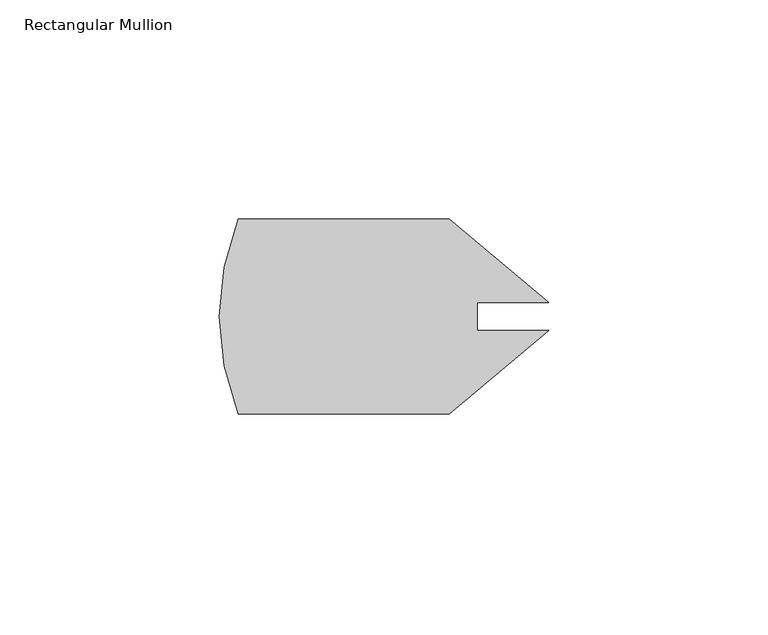
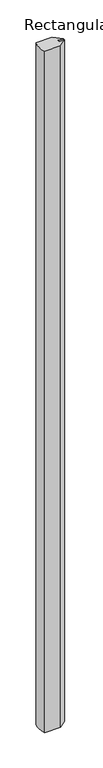
"""IFC4 building model written with IfcOpenShell, lengths in millimetres: member geometry, Rectangular Mullion."""

from ifc_helpers import new_model, si_unit, point, frame, frame_2d, origin, place, context, project, spatial, polyline, circle_curve, trimmed, segment, composite_curve, outline, extrude, source, transform, mapped, element, save


def rectangular_mullion_baa055ce(model_context):
    return source(origin(), model_context, "Body", "SweptSolid", [
        extrude(outline(composite_curve([segment(polyline([(52.4262746, 39.5525562), (75.1446072, 20.4896116), (58.8660049, 20.4896116), (58.8660049, 14.1655007), (75.1446072, 14.1655007), (52.4262746, -4.8974438), (4.3680938, -4.8974438)]), True, "CONTINUOUS"), segment(trimmed(circle_curve(frame_2d((58.7248, 17.3275562)), 58.7248), [point((4.3680938, -4.8974438))], [point((4.3680938, 39.5525562))], False, "CARTESIAN"), True, "CONTINUOUS"), segment(polyline([(4.3680938, 39.5525562), (52.4262746, 39.5525562)]), True, "CONTINUOUS")], self_intersect=False)), frame((0.0, 0.0, -2156.698374), z_axis=(0.0, 0.0, 1.0), x_axis=(1.0, 0.0, 0.0)), (0.0, 0.0, 1.0), 2156.698374),
    ])


if __name__ == "__main__":
    model = new_model("IFC4")
    model_context = context("Model", 3, world=origin())
    ifc_project = project(units=[si_unit("LENGTHUNIT", "METRE", prefix="MILLI")], contexts=[model_context])
    site = spatial("IfcSite", under=ifc_project)
    building = spatial("IfcBuilding", under=site)
    placement = place(None, origin())
    rectangular_mullion_shape = rectangular_mullion_baa055ce(model_context)
    element("IfcMember", 1, ObjectType="Rectangular Mullion", at=placement, inside=building, context=model_context, shape_type="MappedRepresentation", body=[
        mapped(rectangular_mullion_shape, transform((0.0, 0.0, 0.0), x_axis=(1.0, 0.0, 0.0), y_axis=(0.0, 1.0, 0.0), z_axis=(0.0, 0.0, 1.0))),
    ])
    save(model, "model.ifc")
